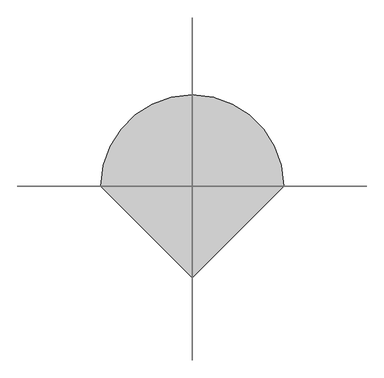
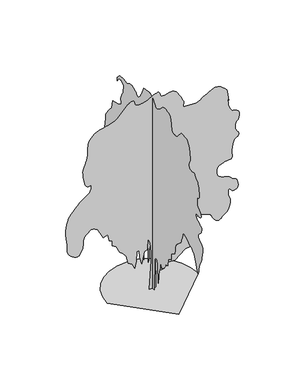
"""IFC4 building model written with IfcOpenShell, lengths in millimetres: geographic element geometry."""

from ifc_helpers import new_model, si_unit, origin, place, context, project, spatial, triangles, source, transform, mapped, element, save


def geographic_element_389643ee(model_context):
    return source(origin(), model_context, "Body", "Tessellation", [
        triangles([(-0.0021492, -84.2526153, 0.0017055), (-0.0021492, 79.7118042, 0.0017055), (-0.0021492, 55.1171299, 770.634066), (-0.0021492, 30.52271, 1205.1391577), (-0.0021492, 128.9011618, 1090.3648407), (-0.0021492, 161.6941456, 983.7870438), (-0.0021492, 161.6941456, 778.8331295), (-0.0021492, 202.6851937, 614.8669024), (-0.0021492, 227.2798771, 1410.0956154), (-0.0021492, 292.8648273, 1254.3285244), (-0.0021492, 391.2435245, 934.5977497), (-0.0021492, 407.6416878, 557.4810519), (-0.0021492, 448.6319547, 754.2384825), (-0.0021492, 424.0372713, 1123.1586239), (-0.0021492, 399.4426243, 1229.7338047), (-0.0021492, 563.4062716, 1024.7798904), (-0.0021492, 645.3893852, 910.00303), (-0.0021492, 571.6053351, 1164.1488544), (-0.0021492, 566.3701532, 1202.7023878), (-0.0021492, 561.3514189, 1240.6803749), (-0.0021492, 556.7629998, 1277.5125744), (-0.0021492, 552.8187638, 1312.6233673), (-0.0021492, 549.7351948, 1345.442585), (-0.0021492, 547.7261604, 1375.3895943), (-0.0021492, 547.0106518, 1401.8965519), (-0.0021492, 548.2048739, 1425.0576382), (-0.0021492, 551.550709, 1445.6369053), (-0.0021492, 556.6891308, 1464.0644142), (-0.0021492, 563.2636931, 1480.7706619), (-0.0021492, 570.9127539, 1496.1884708), (-0.0021492, 579.2773232, 1510.7457218), (-0.0021492, 588.000955, 1524.870005), (-0.0021492, 615.9185097, 1493.2475166), (-0.0021492, 642.6877333, 1461.6276443), (-0.0021492, 667.1627655, 1430.0051559), (-0.0021492, 688.1976734, 1398.3826675), (-0.0021492, 704.6416552, 1366.7627953), (-0.0021492, 715.3488504, 1335.1403069), (-0.0021492, 719.173399, 1303.5178185), (-0.0021492, 720.8463346, 1273.0922047), (-0.0021492, 725.5315138, 1244.8155876), (-0.0021492, 732.7248247, 1218.3340645), (-0.0021492, 741.9270973, 1193.2836313), (-0.0021492, 752.6342926, 1169.31024), (-0.0021492, 764.3472404, 1146.0549007), (-0.0021492, 776.5592857, 1123.1586239), (-0.0021492, 799.2416948, 1123.4208899), (-0.0021492, 820.9921841, 1125.2618385), (-0.0021492, 840.8787609, 1130.2576818), (-0.0021492, 857.9695055, 1139.9845591), (-0.0021492, 871.3298819, 1156.0210802), (-0.0021492, 880.0305862, 1179.9486168), (-0.0021492, 883.1370827, 1213.3382212), (-0.0021492, 884.8100183, 1255.5711811), (-0.0021492, 889.4951975, 1304.2589069), (-0.0021492, 896.6884357, 1358.3243568), (-0.0021492, 905.890781, 1416.6930325), (-0.0021492, 916.5979763, 1478.2854939), (-0.0021492, 928.3109241, 1542.0320389), (-0.0021492, 940.5255129, 1606.8530823), (-0.0021492, 1006.1104631, 1762.6177025), (-0.0021492, 1030.7051102, 2041.3581013), (-0.0021492, 1137.2829071, 1615.0495296), (-0.0021492, 1096.2900604, 2033.1590378), (-0.0021492, 1120.8847801, 2385.6835957), (-0.0021492, 1260.2563602, 2139.7368347), (-0.0021492, 1270.7241806, 2153.8611179), (-0.0021492, 1280.7616493, 2168.4183689), (-0.0021492, 1289.9410309, 2183.833707), (-0.0021492, 1297.8295029, 2200.5424255), (-0.0021492, 1303.9940975, 2218.9699345), (-0.0021492, 1308.0095501, 2239.5492016), (-0.0021492, 1309.4456543, 2262.7102879), (-0.0021492, 1307.6275967, 2290.0778034), (-0.0021492, 1302.9424175, 2322.033847), (-0.0021492, 1296.538448, 2357.1447853), (-0.0021492, 1289.5590775, 2393.9769848), (-0.0021492, 1283.1526371, 2431.0968121), (-0.0021492, 1278.467458, 2467.0683083), (-0.0021492, 1276.6518711, 2500.45784), (-0.0021492, 1277.8461296, 2532.7959824), (-0.0021492, 1281.1944717, 2566.4375336), (-0.0021492, 1286.3329662, 2601.1435547), (-0.0021492, 1292.9049488, 2636.6899315), (-0.0021492, 1300.5540459, 2672.8981865), (-0.0021492, 1308.9185062, 2709.5395546), (-0.0021492, 1317.642247, 2746.4096878), (-0.0021492, 1349.0965771, 2763.5973015), (-0.0021492, 1379.5477707, 2778.4931946), (-0.0021492, 1407.98993, 2788.7800667), (-0.0021492, 1433.4222439, 2792.1923584), (-0.0021492, 1454.8366344, 2786.4374771), (-0.0021492, 1471.2347614, 2769.1992851), (-0.0021492, 1481.6057854, 2738.2107697), (-0.0021492, 1484.4041611, 2701.900486), (-0.0021492, 1481.8935585, 2669.6135033), (-0.0021492, 1478.8100258, 2640.3309883), (-0.0021492, 1479.8871403, 2613.0602692), (-0.0021492, 1489.8532471, 2586.7825127), (-0.0021492, 1513.444685, 2560.5300453), (-0.0021492, 1555.3924152, 2533.2517685), (-0.0021492, 1606.8988644, 2505.0718025), (-0.0021492, 1655.253035, 2478.4681938), (-0.0021492, 1699.3015091, 2456.025087), (-0.0021492, 1737.903368, 2440.3219757), (-0.0021492, 1769.9076645, 2433.9411152), (-0.0021492, 1794.1662128, 2439.4615631), (-0.0021492, 1809.5357689, 2459.4676094), (-0.0021492, 1957.1037964, 2820.1761154), (-0.0021492, 2096.4727604, 2918.5648773), (-0.0021492, 2133.9033245, 2947.2108032), (-0.0021492, 2168.0337994, 2976.9770096), (-0.0021492, 2197.5760368, 3008.067263), (-0.0021492, 2221.2386913, 3040.5580124), (-0.0021492, 2237.731144, 3074.6530243), (-0.0021492, 2245.7620491, 3110.453746), (-0.0021492, 2244.0407879, 3148.1136566), (-0.0021492, 2235.2459759, 3194.9398682), (-0.0021492, 2223.869054, 3254.6760475), (-0.0021492, 2211.3438011, 3322.1530334), (-0.0021492, 2199.1063213, 3392.2013741), (-0.0021492, 2188.5901028, 3459.67836), (-0.0021492, 2181.2287788, 3519.4145393), (-0.0021492, 2178.4558376, 3566.2154617), (-0.0021492, 2170.3281361, 3608.6875786), (-0.0021492, 2147.5744377, 3658.060437), (-0.0021492, 2112.6315125, 3713.1367264), (-0.0021492, 2067.9338047, 3772.8217461), (-0.0021492, 2015.9257874, 3835.9446373), (-0.0021492, 1959.038998, 3901.3845383), (-0.0021492, 1899.7152935, 3967.9447197), (-0.0021492, 1842.3294067, 4197.4932083), (-0.0021492, 1629.1739582, 4246.6875893), (-0.0021492, 1457.0136818, 4328.652935), (-0.0021492, 1458.3505188, 4335.1970123), (-0.0021492, 1461.6963902, 4352.7409996), (-0.0021492, 1466.0480141, 4378.3565872), (-0.0021492, 1470.3970219, 4408.9631493), (-0.0021492, 1473.7428932, 4441.6065056), (-0.0021492, 1475.082201, 4473.2060303), (-0.0021492, 1473.409338, 4500.8334137), (-0.0021492, 1467.7438408, 4526.8565346), (-0.0021492, 1458.2079403, 4555.4515915), (-0.0021492, 1445.4433125, 4586.2107605), (-0.0021492, 1430.0993362, 4618.7015099), (-0.0021492, 1412.8176876, 4652.4654373), (-0.0021492, 1394.2474548, 4687.1205894), (-0.0021492, 1375.0306046, 4722.1829842), (-0.0021492, 1342.2368214, 4918.9352188), (-0.0021492, 1448.8146183, 5009.1250626), (-0.0021492, 1579.9871349, 4984.5277267), (-0.0021492, 1653.7685326, 4877.9400467), (-0.0021492, 1653.7685326, 4976.3288086), (-0.0021492, 1538.9942883, 5082.8914902), (-0.0021492, 1350.4358849, 5107.488826), (-0.0021492, 1202.8678574, 5074.692572), (-0.0021492, 1055.2998299, 5156.6829163), (-0.0021492, 948.7220329, 5164.8818344), (-0.0021492, 940.8819592, 5161.1390396), (-0.0021492, 920.1372952, 5151.1065125), (-0.0021492, 890.6409851, 5136.4911255), (-0.0021492, 856.5588358, 5118.9980072), (-0.0021492, 822.0437914, 5100.3334488), (-0.0021492, 791.2590425, 5082.280481), (-0.0021492, 768.3627657, 5066.4930725), (-0.0021492, 752.5400396, 5050.8591431), (-0.0021492, 739.1541561, 5033.7985565), (-0.0021492, 726.6289759, 5017.8844116), (-0.0021492, 713.3882143, 5005.6874817), (-0.0021492, 697.8532614, 4999.805864), (-0.0021492, 678.4453617, 5002.8359116), (-0.0021492, 653.5859053, 5017.2989822), (-0.0021492, 627.1527803, 5039.5790176), (-0.0021492, 603.7294281, 5064.0234558), (-0.0021492, 582.814135, 5090.2247635), (-0.0021492, 563.9078762, 5117.8777267), (-0.0021492, 546.5090472, 5146.6253906), (-0.0021492, 530.1108839, 5176.0602219), (-0.0021492, 514.2169049, 5205.8775879), (-0.0021492, 415.8382078, 5410.8290314), (-0.0021492, 169.8924643, 5451.8242035), (-0.0021492, 163.845268, 5451.6713058), (-0.0021492, 147.6161895, 5450.6783432), (-0.0021492, 124.0728773, 5447.9540909), (-0.0021492, 96.0842423, 5442.6323227), (-0.0021492, 66.5181736, 5433.8985535), (-0.0021492, 38.2425694, 5420.8359787), (-0.0021492, 14.1260625, 5402.6295319), (-0.0021492, -3.3458589, 5384.2457703), (-0.0021492, -15.2248406, 5370.0373352), (-0.0021492, -23.9488607, 5358.0950409), (-0.0021492, -31.9557643, 5346.6114395), (-0.0021492, -41.6836339, 5333.6761826), (-0.0021492, -55.5706269, 5317.4306625), (-0.0021492, -76.0543103, 5296.0418518), (-0.0021492, -97.13535, 5271.2916183), (-0.0021492, -113.1971331, 5247.5349289), (-0.0021492, -127.2514169, 5226.7827072), (-0.0021492, -142.3091915, 5211.0464584), (-0.0021492, -161.3827366, 5202.3638489), (-0.0021492, -187.483033, 5202.6946426), (-0.0021492, -223.6221062, 5214.076506), (-0.0021492, -264.351397, 5233.7851868), (-0.0021492, -302.4974698, 5257.3889786), (-0.0021492, -338.4919115, 5284.2012955), (-0.0021492, -372.7676173, 5313.5855484), (-0.0021492, -405.7523409, 5344.9307281), (-0.0021492, -437.8763975, 5377.549086), (-0.0021492, -469.5675954, 5410.8290314), (-0.0021492, -492.466452, 5419.4860611), (-0.0021492, -515.7217913, 5427.3286057), (-0.0021492, -539.6951463, 5433.618338), (-0.0021492, -564.7456158, 5437.5396103), (-0.0021492, -591.2271026, 5438.3035172), (-0.0021492, -619.503756, 5435.1205719), (-0.0021492, -649.9294424, 5427.2268677), (-0.0021492, -681.4067362, 5417.9076691), (-0.0021492, -712.0259428, 5409.8610672), (-0.0021492, -740.9213448, 5401.4075134), (-0.0021492, -767.2373257, 5390.7895569), (-0.0021492, -790.1107115, 5376.3009064), (-0.0021492, -808.6833424, 5356.2364334), (-0.0021492, -822.0921896, 5328.8381058), (-0.0021492, -831.6764156, 5297.4679276), (-0.0021492, -839.5393805, 5266.5047012), (-0.0021492, -845.9687845, 5235.9240097), (-0.0021492, -851.2523283, 5205.5973724), (-0.0021492, -855.672698, 5175.5253708), (-0.0021492, -859.522681, 5145.5556885), (-0.0021492, -863.0824202, 5115.6877441), (-0.0021492, -868.5086151, 5085.9976959), (-0.0021492, -874.8667299, 5057.4029297), (-0.0021492, -883.0886845, 5030.9469864), (-0.0021492, -894.1065439, 5007.6989868), (-0.0021492, -908.8546263, 4988.7803741), (-0.0021492, -928.2625259, 4975.2085281), (-0.0021492, -953.2646336, 4968.1298904), (-0.0021492, -983.5706326, 4964.7940475), (-0.0021492, -1017.0340696, 4962.6296448), (-0.0021492, -1051.7859455, 4962.7313828), (-0.0021492, -1085.9648186, 4966.2962814), (-0.0021492, -1117.7069944, 4974.4446213), (-0.0021492, -1145.1458719, 4988.347261), (-0.0021492, -1166.4176113, 5009.1250626), (-0.0021492, -1187.9516893, 5037.6180908), (-0.0021492, -1215.2250246, 5071.5857849), (-0.0021492, -1244.9327316, 5107.4120865), (-0.0021492, -1273.7822788, 5141.5326782), (-0.0021492, -1298.4736496, 5170.3309204), (-0.0021492, -1315.7070454, 5190.2430771), (-0.0021492, -1322.1822315, 5197.6786697), (-0.0021492, -1576.328056, 5181.2802521), (-0.0021492, -1674.7067894, 5058.2941544), (-0.0021492, -1679.9878624, 5049.3057495), (-0.0021492, -1685.3426228, 5039.1203247), (-0.0021492, -1690.840107, 5026.4652832), (-0.0021492, -1696.5540024, 5010.1691849), (-0.0021492, -1702.550584, 4988.9838501), (-0.0021492, -1708.9086262, 4961.7134216), (-0.0021492, -1715.69702, 4927.1347183), (-0.0021492, -1722.2461842, 4888.9655365), (-0.0021492, -1727.9344997, 4851.6622902), (-0.0021492, -1732.907452, 4815.0465019), (-0.0021492, -1737.304858, 4779.0417229), (-0.0021492, -1741.2720577, 4743.4444771), (-0.0021492, -1744.9539551, 4708.1530266), (-0.0021492, -1748.4908031, 4672.9886032), (-0.0021492, -1731.0893944, 4648.3403984), (-0.0021492, -1714.6937382, 4623.4122688), (-0.0021492, -1700.3046455, 4597.9237083), (-0.0021492, -1688.927869, 4571.5442139), (-0.0021492, -1681.5665451, 4544.0441483), (-0.0021492, -1679.2239555, 4515.0927177), (-0.0021492, -1682.9058529, 4484.4352867), (-0.0021492, -1691.9172215, 4457.546521), (-0.0021492, -1704.798848, 4438.9584114), (-0.0021492, -1721.4109154, 4426.9908279), (-0.0021492, -1741.6082291, 4419.8866104), (-0.0021492, -1765.2454491, 4415.940049), (-0.0021492, -1792.1827583, 4413.4445618), (-0.0021492, -1822.2748169, 4410.6435699), (-0.0021492, -1851.5776794, 4410.5162521), (-0.0021492, -1877.0099934, 4414.7177399), (-0.0021492, -1899.7152935, 4419.453788), (-0.0021492, -1920.8445271, 4421.0580505), (-0.0021492, -1941.543409, 4415.7871513), (-0.0021492, -1962.9576542, 4399.8982956), (-0.0021492, -1986.2385006, 4369.6483978), (-0.0021492, -2009.8529022, 4339.016256), (-0.0021492, -2031.6033188, 4320.2755394), (-0.0021492, -2051.6324741, 4307.2641243), (-0.0021492, -2070.0854176, 4293.8451759), (-0.0021492, -2087.1024021, 4273.8057014), (-0.0021492, -2102.8308025, 4241.0094475), (-0.0021492, -2117.4110172, 4189.2939995), (-0.0021492, -2130.4606567, 4132.1297562), (-0.0021492, -2141.5040234, 4085.4561516), (-0.0021492, -2150.5382103, 4046.6759605), (-0.0021492, -2157.565979, 4013.1922485), (-0.0021492, -2162.5848587, 3982.4330795), (-0.0021492, -2165.5945587, 3951.8009377), (-0.0021492, -2166.6003113, 3918.7500481), (-0.0021492, -2163.9699486, 3888.1437767), (-0.0021492, -2156.6086246, 3865.7361328), (-0.0021492, -2145.3030647, 3850.1274925), (-0.0021492, -2130.8426102, 3839.9676476), (-0.0021492, -2114.0167477, 3833.9075523), (-0.0021492, -2095.6120571, 3830.5464203), (-0.0021492, -2076.4181705, 3828.5602043), (-0.0021492, -2076.4181705, 3615.4098427), (-0.0021492, -2076.5861835, 3611.7687859), (-0.0021492, -2077.7574783, 3607.2362137), (-0.0021492, -2080.9351913, 3600.9979317), (-0.0021492, -2087.1278366, 3592.1877136), (-0.0021492, -2097.3334637, 3579.9143349), (-0.0021492, -2112.5576797, 3563.3636009), (-0.0021492, -2133.8065281, 3541.6437057), (-0.0021492, -2158.6890209, 3518.8288193), (-0.0021492, -2183.2835953, 3498.7640556), (-0.0021492, -2206.2996323, 3480.0997879), (-0.0021492, -2226.4484024, 3461.6134163), (-0.0021492, -2242.4391415, 3441.9561859), (-0.0021492, -2252.9807945, 3419.8796265), (-0.0021492, -2256.7799812, 3394.0602722), (-0.0021492, -2250.3276134, 3369.7687317), (-0.0021492, -2232.2566235, 3352.3773514), (-0.0021492, -2204.5070091, 3340.7152725), (-0.0021492, -2169.0142628, 3333.6366348), (-0.0021492, -2127.7106792, 3329.995578), (-0.0021492, -2082.5368378, 3328.6715309), (-0.0021492, -2035.4277946, 3328.4677643), (-0.0021492, -2021.5658501, 3329.995578), (-0.0021492, -2008.8496204, 3330.1737648), (-0.0021492, -1998.4275822, 3327.6274086), (-0.0021492, -1991.4508278, 3320.9815933), (-0.0021492, -1989.05984, 3308.886692), (-0.0021492, -1992.405566, 3289.9677887), (-0.0021492, -2002.6366276, 3262.9005455), (-0.0021492, -2020.3945553, 3234.9676575), (-0.0021492, -2044.3195484, 3213.2224731), (-0.0021492, -2072.5477673, 3195.7802238), (-0.0021492, -2103.212756, 3180.7570129), (-0.0021492, -2134.4508202, 3166.3195221), (-0.0021492, -2164.4003002, 3150.6088531), (-0.0021492, -2191.195031, 3131.7155296), (-0.0021492, -2214.6667088, 3115.4700096), (-0.0021492, -2235.4113728, 3106.0996513), (-0.0021492, -2252.7159851, 3099.4538361), (-0.0021492, -2265.8625664, 3091.381945), (-0.0021492, -2274.1329918, 3077.7083611), (-0.0021492, -2276.8091366, 3054.2824654), (-0.0021492, -2273.1754921, 3016.9539299), (-0.0021492, -2263.7593517, 2975.5765137), (-0.0021492, -2250.0398403, 2941.939904), (-0.0021492, -2232.735228, 2914.7709229), (-0.0021492, -2212.5634941, 2892.7455231), (-0.0021492, -2190.2375313, 2874.6158157), (-0.0021492, -2166.4806965, 2859.0580444), (-0.0021492, -2142.0055916, 2844.7731606), (-0.0021492, -2133.3761765, 2827.1783043), (-0.0021492, -2125.6812973, 2809.2779434), (-0.0021492, -2119.8477871, 2790.7918625), (-0.0021492, -2116.8125072, 2771.4654259), (-0.0021492, -2117.5051975, 2750.9675491), (-0.0021492, -2122.8599579, 2729.044178), (-0.0021492, -2133.8065281, 2705.4145157), (-0.0021492, -2153.6931049, 2682.9815826), (-0.0021492, -2182.4714355, 2663.4005104), (-0.0021492, -2215.980582, 2644.532476), (-0.0021492, -2250.062804, 2624.2386566), (-0.0021492, -2280.5623959, 2600.3543587), (-0.0021492, -2303.3160942, 2570.7407593), (-0.0021492, -2314.1683388, 2533.2517685), (-0.0021492, -2316.6306885, 2491.7827881), (-0.0021492, -2316.7960854, 2450.4562408), (-0.0021492, -2314.3822792, 2407.4085777), (-0.0021492, -2309.1012062, 2360.7782845), (-0.0021492, -2300.6627678, 2308.6964344), (-0.0021492, -2288.7842777, 2249.3015133), (-0.0021492, -2273.1754921, 2180.7272106), (-0.0021492, -2256.9479942, 2122.3126076), (-0.0021492, -2242.7269146, 2087.8459614), (-0.0021492, -2229.5091167, 2067.1470795), (-0.0021492, -2216.2913189, 2050.0334438), (-0.0021492, -2202.0702393, 2026.3248619), (-0.0021492, -2185.8401253, 1985.8335835), (-0.0021492, -2166.6003113, 1918.3847935), (-0.0021492, -2149.5808559, 1842.5203835), (-0.0021492, -2138.8736607, 1783.2936207), (-0.0021492, -2131.7517117, 1740.2713921), (-0.0021492, -2125.4903206, 1713.0234913), (-0.0021492, -2117.362619, 1701.1195667), (-0.0021492, -2104.6463894, 1704.1317375), (-0.0021492, -2084.617234, 1721.6273266), (-0.0021492, -2060.5012642, 1758.0775726), (-0.0021492, -2037.2458523, 1813.4570412), (-0.0021492, -2014.7060944, 1880.5977104), (-0.0021492, -1992.7391212, 1952.324437), (-0.0021492, -1971.2051159, 2021.4716698), (-0.0021492, -1949.9562675, 2080.8664455), (-0.0021492, -1928.8526138, 2123.3387077), (-0.0021492, -1903.2291779, 2154.4824463), (-0.0021492, -1869.4322582, 2184.7680977), (-0.0021492, -1828.8238358, 2214.3331535), (-0.0021492, -1782.7664726, 2243.3252792), (-0.0021492, -1732.6196789, 2271.8870533), (-0.0021492, -1679.7509583, 2300.1636703), (-0.0021492, -1625.51735, 2328.2952381), (-0.0021492, -1580.1042789, 2357.6693172), (-0.0021492, -1536.2697453, 2384.1049129), (-0.0021492, -1495.5901062, 2404.6612164), (-0.0021492, -1459.6414284, 2416.3971279), (-0.0021492, -1430.0025398, 2416.3715481), (-0.0021492, -1408.2521233, 2401.6489002), (-0.0021492, -1395.9662453, 2369.2854687), (-0.0021492, -1387.7442181, 2327.3633183), (-0.0021492, -1377.3731941, 2285.8713741), (-0.0021492, -1365.2069309, 2244.7359489), (-0.0021492, -1351.6071796, 2203.8882969), (-0.0021492, -1336.9303139, 2163.2544399), (-0.0021492, -1321.5379395, 2122.7657776), (-0.0021492, -1305.7865753, 2082.3484772), (-0.0021492, -1125.4248373, 1926.583857), (-0.0021492, -1107.9775738, 1907.1276318), (-0.0021492, -1091.2458916, 1886.8820652), (-0.0021492, -1075.9502409, 1865.0602867), (-0.0021492, -1062.8037323, 1840.8729549), (-0.0021492, -1052.5268887, 1813.5282578), (-0.0021492, -1045.8352186, 1782.2419407), (-0.0021492, -1043.4442308, 1746.2220463), (-0.0021492, -1042.7261787, 1711.1595062), (-0.0021492, -1040.7196878, 1682.5468632), (-0.0021492, -1037.6361551, 1659.3168858), (-0.0021492, -1033.6919191, 1640.3851925), (-0.0021492, -1029.1035364, 1624.6822266), (-0.0021492, -1024.0847294, 1611.1308735), (-0.0021492, -1018.8495838, 1598.6540188), (-0.0021492, -871.2814837, 1500.2752853), (-0.0021492, -854.8859001, 1328.1125381), (-0.0021492, -731.9125196, 1270.7241806), (-0.0021492, -699.1188091, 1057.5711302), (-0.0021492, -567.9463288, 1024.7798904), (-0.0021492, -579.9928319, 1019.3537682), (-0.0021492, -590.5345213, 1012.9956533), (-0.0021492, -598.0638946, 1004.7736261), (-0.0021492, -601.0736309, 993.7558393), (-0.0021492, -598.0638946, 979.0076843), (-0.0021492, -587.5222415, 959.5997847), (-0.0021492, -567.9463288, 934.5977497), (-0.0021492, -544.3090362, 908.8801334), (-0.0021492, -522.3905339, 887.4631994), (-0.0021492, -501.9081359, 869.6340551), (-0.0021492, -482.5715618, 854.6720324), (-0.0021492, -464.0956183, 841.8616224), (-0.0021492, -446.192605, 830.4822298), (-0.0021492, -428.5773285, 819.8234327), (-0.0021492, -416.3169213, 852.4974558), (-0.0021492, -404.2703819, 880.9396151), (-0.0021492, -392.6541942, 900.9203722), (-0.0021492, -381.6821895, 908.2104795), (-0.0021492, -371.5733952, 898.5777826), (-0.0021492, -362.5365921, 867.7931065), (-0.0021492, -354.7933147, 811.6243692), (-0.0021492, -347.289376, 757.5588467), (-0.0021492, -338.9222268, 728.4470335), (-0.0021492, -329.8396053, 713.1030573), (-0.0021492, -320.1840537, 700.3409729), (-0.0021492, -310.0981504, 678.9725098), (-0.0021492, -299.7245467, 637.8141209), (-0.0021492, -289.2083463, 565.677572), (-0.0021492, -280.1002358, 485.3215393), (-0.0021492, -273.5766333, 424.7553234), (-0.0021492, -269.2021002, 380.6814875), (-0.0021492, -266.5488464, 349.8000149), (-0.0021492, -265.1865749, 328.815976), (-0.0021492, -264.6849704, 314.426847), (-0.0021492, -264.613663, 303.3351912), (-0.0021492, -240.0187434, 811.6243692), (-0.0021492, -227.6618124, 844.6574547), (-0.0021492, -214.9461096, 875.6102165), (-0.0021492, -201.5133903, 902.4023312), (-0.0021492, -187.005355, 922.9585619), (-0.0021492, -171.062996, 935.1961143), (-0.0021492, -153.328032, 937.037063), (-0.0021492, -133.4419729, 926.401157), (-0.0021492, -115.707018, 904.291678), (-0.0021492, -103.9950694, 874.0085701), (-0.0021492, -97.3026454, 836.9141773), (-0.0021492, -94.6257194, 794.3680824), (-0.0021492, -94.9603011, 747.7377892), (-0.0021492, -97.3026454, 698.3803368), (-0.0021492, -100.6487348, 647.6606855), (-0.0021492, -84.2526153, 237.7499866), (88.4435659, -0.0002505, 0.0), (-86.3932913, -0.0002505, 0.0), (-44.7656723, -0.0002025, 807.5807934), (-36.4400473, -0.0001919, 1032.3704155), (-69.7422955, -0.0001759, 1307.1158546), (-128.0216733, -0.0001652, 1448.6490761), (-144.6726646, -0.0001865, 1140.6032713), (-227.9278935, -0.0001865, 1115.6266708), (-294.532658, -0.0002025, 799.2544121), (-352.8122947, -0.0001919, 999.0699772), (-361.138676, -0.0001812, 1182.2301636), (-427.7421324, -0.0001812, 1182.2301636), (-444.3923879, -0.0001972, 915.8137218), (-486.0217873, -0.0002079, 732.6509193), (-552.6252437, -0.0002025, 874.1842861), (-660.8581358, -0.0001972, 940.7903223), (-702.4849554, -0.0001812, 1157.2534904), (-785.7412107, -0.0001759, 1257.1625084), (-877.3238474, -0.0001759, 1332.0923824), (-977.2303219, -0.0001599, 1523.5789501), (-1085.4632504, -0.0001599, 1581.8586777), (-1085.4632504, -0.0001492, 1723.3945152), (-1160.3931244, -0.0001492, 1748.3711884), (-1202.019944, -0.0001386, 1939.857756), (-1318.5792538, -0.0001386, 1889.9044098), (-1468.4390018, -0.0001226, 2172.9736141), (-1502.3250149, -0.0001226, 2194.0442757), (-1536.1347244, -0.0001226, 2213.0727654), (-1569.8018555, -0.0001173, 2228.0246143), (-1603.2501045, -0.0001173, 2236.8602669), (-1636.4053482, -0.0001173, 2237.5401672), (-1669.1991314, -0.0001173, 2228.0246143), (-1701.5548599, -0.0001226, 2206.2766685), (-1733.4726791, -0.0001226, 2179.018594), (-1764.2269066, -0.0001226, 2153.3621658), (-1792.651189, -0.0001279, 2127.850787), (-1817.579464, -0.0001279, 2101.0306217), (-1837.8479942, -0.0001279, 2071.4426022), (-1852.2879559, -0.0001332, 2037.6304218), (-1859.7409893, -0.0001332, 1998.1373383), (-1862.0709343, -0.0001386, 1954.9318359), (-1863.0894768, -0.0001386, 1911.4359444), (-1864.5459286, -0.0001439, 1868.3754913), (-1868.1871307, -0.0001439, 1826.4812462), (-1875.759779, -0.0001439, 1786.4790367), (-1889.0133305, -0.0001492, 1749.0993416), (-1909.6943356, -0.0001492, 1715.0681339), (-1930.6655846, -0.0001546, 1683.7079842), (-1945.9586918, -0.0001546, 1654.8226833), (-1959.0644325, -0.0001546, 1629.87159), (-1973.4840466, -0.0001546, 1610.3057785), (-1992.7085999, -0.0001599, 1597.5870781), (-2020.2341, -0.0001599, 1593.1693245), (-2059.5539383, -0.0001599, 1598.5088242), (-2106.0849644, -0.0001546, 1614.4818317), (-2151.4523987, -0.0001546, 1639.6289886), (-2193.4662586, -0.0001546, 1671.9108845), (-2229.9496422, -0.0001492, 1709.2905796), (-2258.7125668, -0.0001492, 1749.7308437), (-2277.5730434, -0.0001439, 1791.1870342), (-2284.3435604, -0.0001439, 1831.6274437), (-2284.0049183, -0.0001439, 1867.2347179), (-2283.6662762, -0.0001386, 1899.34613), (-2284.3435604, -0.0001386, 1933.6447632), (-2287.0630165, -0.0001332, 1975.8062885), (-2292.8405708, -0.0001332, 2031.5116093), (-2302.6947659, -0.0001279, 2106.4440994), (-2317.6466148, -0.0001226, 2206.2766685), (-2328.3767738, -0.0001119, 2318.4664776), (-2327.0169731, -0.0001066, 2424.8304794), (-2316.773267, -0.0001013, 2522.6006744), (-2300.8512737, -9.59e-05, 2609.0116791), (-2282.4516701, -9.06e-05, 2681.301162), (-2264.780365, -9.06e-05, 2736.6829559), (-2251.0431221, -8.53e-05, 2772.4075195), (-2228.7604706, -8.53e-05, 2807.0370918), (-2187.9815643, -7.99e-05, 2856.639006), (-2135.6984184, -7.99e-05, 2914.8473717), (-2078.9007225, -7.46e-05, 2975.2454292), (-2024.5780209, -7.46e-05, 3031.4167099), (-1979.7200031, -6.93e-05, 3076.9444542), (-1951.3211552, -6.93e-05, 3105.4374825), (-1924.2819626, -6.4e-05, 3127.0812195), (-1882.823156, -6.4e-05, 3155.2940323), (-1832.9183533, -6.4e-05, 3188.4469505), (-1780.5385563, -5.86e-05, 3224.9607101), (-1731.6521507, -5.86e-05, 3263.2060501), (-1692.2328999, -5.33e-05, 3301.6042877), (-1668.2519508, -5.33e-05, 3338.5511604), (-1656.1646072, -5.33e-05, 3371.3218346), (-1648.0088551, -4.8e-05, 3398.84748), (-1643.1300831, -4.8e-05, 3421.9931602), (-1640.8716454, -4.8e-05, 3441.6759705), (-1640.5812561, -4.8e-05, 3458.7106865), (-1641.5997986, -4.8e-05, 3473.988533), (-1643.2752777, -4.26e-05, 3488.4260239), (-1673.4947994, -4.26e-05, 3483.4862091), (-1703.0597099, -4.26e-05, 3481.1180397), (-1731.3135086, -4.26e-05, 3483.8172935), (-1757.6014389, -4.26e-05, 3494.1806145), (-1781.2667095, -4.26e-05, 3514.7546494), (-1801.6574707, -4.26e-05, 3548.0601746), (-1818.1141697, -3.73e-05, 3596.6435463), (-1832.6281094, -3.2e-05, 3658.2386238), (-1846.5614159, -3.2e-05, 3726.3519081), (-1858.3075012, -2.66e-05, 3797.4190819), (-1866.2698059, -2.13e-05, 3867.7223488), (-1868.8440674, -1.6e-05, 3933.671521), (-1864.4261684, -1.6e-05, 3991.625251), (-1851.414608, -1.07e-05, 4037.8913223), (-1831.8514126, -1.07e-05, 4080.6180748), (-1810.1034668, -5.3e-06, 4129.8889046), (-1788.0628063, -5.3e-06, 4185.1436714), (-1767.626263, 0.0, 4245.7710754), (-1750.6831112, 5.3e-06, 4311.2106857), (-1739.1280025, 1.07e-05, 4380.8773636), (-1734.8579144, 1.07e-05, 4454.1853889), (-1735.4894165, 1.6e-05, 4523.877356), (-1735.8280586, 2.13e-05, 4584.5303398), (-1733.5466572, 2.13e-05, 4638.3334511), (-1726.3125057, 2.66e-05, 4687.5025429), (-1711.7987114, 3.2e-05, 4734.1761475), (-1687.6699516, 3.2e-05, 4780.5442474), (-1651.601659, 3.73e-05, 4828.8218239), (-1604.6581581, 3.73e-05, 4875.2407928), (-1551.3056007, 4.26e-05, 4914.6575729), (-1494.3144573, 4.26e-05, 4947.2247711), (-1436.4472046, 4.26e-05, 4973.1202835), (-1380.4746037, 4.26e-05, 4992.421431), (-1329.161602, 4.8e-05, 5005.3566879), (-1285.2761993, 4.8e-05, 5012.0022125), (-1238.819006, 4.8e-05, 5019.8197586), (-1181.7285227, 4.8e-05, 5034.7665207), (-1119.6854347, 4.8e-05, 5054.8059952), (-1058.3731888, 4.8e-05, 5077.9260956), (-1003.4673832, 5.33e-05, 5102.03974), (-960.651392, 5.33e-05, 5125.1598404), (-935.6009588, 5.33e-05, 5145.1993149), (-669.1845171, 6.93e-05, 5428.27099), (-646.0030106, 6.93e-05, 5444.1601364), (-622.8954094, 7.46e-05, 5458.928421), (-599.9328938, 7.46e-05, 5471.5328842), (-577.1893693, 7.46e-05, 5480.8520828), (-554.7386684, 7.46e-05, 5485.7918976), (-532.6495734, 7.46e-05, 5485.2826263), (-510.9983877, 7.46e-05, 5478.2295685), (-495.8275477, 7.46e-05, 5462.4933197), (-489.5407585, 6.93e-05, 5439.0418442), (-486.7500132, 6.93e-05, 5411.3888809), (-482.064834, 6.93e-05, 5382.9725922), (-470.0972506, 6.93e-05, 5357.3567139), (-445.4618357, 6.4e-05, 5337.9794083), (-402.7655319, 6.4e-05, 5328.3544144), (-352.1553217, 6.4e-05, 5326.9794983), (-306.7905035, 6.4e-05, 5329.5258545), (-265.7951497, 6.4e-05, 5335.3568939), (-228.2925333, 6.4e-05, 5343.8104477), (-193.4123404, 6.4e-05, 5354.2249283), (-160.2801876, 6.93e-05, 5365.9375854), (-128.0216733, 6.93e-05, 5378.3124115), (-76.4902348, 6.93e-05, 5408.3588333), (-26.1968067, 6.93e-05, 5436.7501236), (21.6206779, 7.46e-05, 5461.7805725), (65.7244948, 7.46e-05, 5481.7688873), (104.8766017, 7.46e-05, 5495.0605179), (137.8389157, 7.46e-05, 5500.0003326), (163.3739486, 7.46e-05, 5494.8820404), (179.7578323, 7.46e-05, 5482.2525787), (188.4231282, 7.46e-05, 5466.2872742), (192.8648993, 7.46e-05, 5447.6994553), (196.5786624, 6.93e-05, 5427.2012878), (203.0594986, 6.93e-05, 5405.5578415), (215.8026888, 6.93e-05, 5383.4562836), (238.3035501, 6.93e-05, 5361.6599396), (275.7078804, 6.4e-05, 5352.0093658), (327.5301169, 6.93e-05, 5359.8263306), (388.8194718, 6.93e-05, 5376.0974304), (454.6234131, 6.93e-05, 5391.7569397), (519.9893723, 6.93e-05, 5397.8426147), (579.9673974, 6.93e-05, 5385.2643127), (629.6048836, 6.4e-05, 5345.0068863), (669.510442, 6.4e-05, 5289.625383), (704.1731518, 5.86e-05, 5237.2989258), (734.4638901, 5.86e-05, 5187.5188248), (761.2611643, 5.33e-05, 5139.7758087), (785.4382496, 5.33e-05, 5093.5606064), (807.8660231, 4.8e-05, 5048.3633652), (829.420376, 4.8e-05, 5003.6759766), (821.0939947, 3.73e-05, 4853.8011131), (1104.163199, 3.73e-05, 4837.1483505), (1130.912075, 3.73e-05, 4839.0834068), (1157.5870457, 3.73e-05, 4841.7826607), (1184.116967, 3.73e-05, 4846.1111755), (1210.4303318, 3.73e-05, 4852.8334396), (1236.4509819, 3.73e-05, 4862.7639381), (1262.10741, 3.73e-05, 4876.6921577), (1287.3259289, 3.73e-05, 4895.433165), (1317.642247, 4.26e-05, 4918.5532654), (1357.5732399, 4.26e-05, 4944.7039948), (1405.5097034, 4.26e-05, 4973.4260788), (1459.8579849, 4.8e-05, 5004.1852478), (1519.010915, 4.8e-05, 5036.4722305), (1581.3671379, 4.8e-05, 5069.7527573), (1645.3250072, 5.33e-05, 5103.5675537), (1684.4540142, 5.33e-05, 5099.8497574), (1722.8521065, 5.33e-05, 5095.2663162), (1759.7963631, 5.33e-05, 5088.9515854), (1794.5558693, 4.8e-05, 5079.9887604), (1826.3998558, 4.8e-05, 5067.5371948), (1854.6051109, 4.8e-05, 5050.7062454), (1878.4410107, 4.8e-05, 5028.6552658), (1900.2143909, 4.8e-05, 5007.1897156), (1922.1329659, 4.26e-05, 4990.5372437), (1943.3232422, 4.26e-05, 4975.3358459), (1962.9118721, 4.26e-05, 4958.2502609), (1980.023037, 4.26e-05, 4935.9190659), (1993.7857143, 3.73e-05, 4905.0069992), (2003.3267017, 3.73e-05, 4862.1273491), (2036.62714, 2.13e-05, 4620.6877258), (2031.3358932, 2.66e-05, 4643.2223969), (2026.4088684, 2.66e-05, 4661.7340576), (2022.2099968, 2.66e-05, 4672.2502762), (2019.1035004, 2.66e-05, 4670.7477516), (2017.450985, 2.66e-05, 4653.2293442), (2017.6216141, 2.13e-05, 4615.6714622), (2019.9769936, 2.13e-05, 4554.0766754), (2029.0544918, 1.6e-05, 4483.8242775), (2046.7257969, 1.07e-05, 4423.1715843), (2069.3470905, 5.3e-06, 4372.5511276), (2093.2796413, 5.3e-06, 4332.4213097), (2114.8825378, 5.3e-06, 4303.2408234), (2130.5141418, 5.3e-06, 4285.3913315), (2136.5336872, 0.0, 4279.3565254), (2147.5539448, 0.0, 4280.1460121), (2175.7593452, 0.0, 4279.6367409), (2213.8671936, 0.0, 4273.4493279), (2254.5977016, 0.0, 4257.2038078), (2290.6659943, 0.0, 4226.5463768), (2314.794754, -5.3e-06, 4177.0973602), (2319.6963444, -1.07e-05, 4104.5023727), (2308.0216209, -1.07e-05, 4035.0650414), (2289.5024025, -1.6e-05, 3991.3959045), (2267.4871765, -1.6e-05, 3963.6159142), (2245.3241398, -1.6e-05, 3941.7939903), (2226.3694828, -2.13e-05, 3916.0255051), (2213.96399, -2.13e-05, 3876.4308289), (2211.466032, -2.66e-05, 3813.104171), (2219.5963497, -2.66e-05, 3747.2826073), (2234.7188278, -3.2e-05, 3702.4167412), (2253.6250866, -3.2e-05, 3671.9886566), (2273.1169201, -3.73e-05, 3649.4284058), (2289.9862392, -3.73e-05, 3628.141333), (2301.0320766, -3.73e-05, 3601.6598099), (2303.0461979, -4.26e-05, 3563.3380211), (2294.2843781, -4.26e-05, 3529.0395332), (2276.7837021, -4.26e-05, 3512.233873), (2253.0190189, -4.26e-05, 3502.8382256), (2225.4707005, -4.26e-05, 3490.8194824), (2196.6083633, -4.8e-05, 3466.1204086), (2168.9148502, -4.8e-05, 3418.7340569), (2144.8600685, -5.33e-05, 3338.5511604), (2129.882785, -5.86e-05, 3243.8796135), (2124.958231, -6.4e-05, 3160.284716), (2125.8545425, -6.93e-05, 3088.6321129), (2128.3549713, -7.46e-05, 3029.812738), (2128.2327404, -7.46e-05, 2984.6666565), (2121.2660145, -7.46e-05, 2954.0856743), (2103.2331036, -7.99e-05, 2938.9351456), (2080.3674934, -7.99e-05, 2933.5625084), (2059.979203, -7.99e-05, 2930.6853584), (2039.4433926, -7.99e-05, 2928.6482735), (2016.1421986, -7.99e-05, 2925.9237305), (1987.4504906, -7.99e-05, 2920.8565979), (1950.7506958, -7.99e-05, 2911.8426132), (1903.4176838, -7.99e-05, 2897.3033844), (1853.5127357, -7.99e-05, 2880.1413506), (1811.035532, -7.99e-05, 2862.9793167), (1776.2784966, -8.53e-05, 2843.7801979), (1749.5296932, -8.53e-05, 2820.5069092), (1731.0818367, -8.53e-05, 2791.0973671), (1721.2276417, -9.06e-05, 2753.5647743), (1720.2574974, -9.06e-05, 2705.8217583), (1723.631274, -9.59e-05, 2658.5115646), (1727.8785439, -9.59e-05, 2621.9722252), (1734.8910519, -9.59e-05, 2593.7338326), (1746.5683914, -0.0001013, 2571.3520592), (1764.7947498, -0.0001013, 2552.2802582), (1791.4723366, -0.0001013, 2534.1046234), (1828.4878098, -0.0001013, 2514.3224007), (1873.0047146, -0.0001013, 2496.0453186), (1919.5611752, -0.0001066, 2482.2824959), (1966.1151649, -0.0001066, 2470.414325), (2010.6320698, -0.0001066, 2457.815094), (2051.0697178, -0.0001066, 2441.8678116), (2085.3913147, -0.0001066, 2419.9517075), (2111.5570141, -0.0001119, 2389.4394711), (2135.660194, -0.0001119, 2361.79174), (2163.6949654, -0.0001119, 2345.6507195), (2193.4790485, -0.0001119, 2334.1695889), (2222.8250771, -0.0001119, 2320.5060333), (2249.5484459, -0.0001173, 2297.8084362), (2271.4670208, -0.0001173, 2259.2397148), (2286.3959061, -0.0001226, 2197.9502872), (2290.3019176, -0.0001279, 2132.9738754), (2281.9781525, -0.0001279, 2085.9081436), (2263.4563179, -0.0001279, 2053.7712971), (2236.7813473, -0.0001332, 2033.5767448), (2203.9875641, -0.0001332, 2022.3373146), (2167.1171402, -0.0001332, 2017.0716476), (2128.2097767, -0.0001332, 2014.7876301), (2106.9227039, -0.0001332, 2046.2216125), (2086.3639297, -0.0001279, 2073.5764835), (2067.2591366, -0.0001279, 2092.7780731), (2050.3415646, -0.0001279, 2099.7421829), (2036.3368961, -0.0001279, 2090.3972591), (2025.9709591, -0.0001279, 2060.6641903), (2019.9769936, -0.0001332, 2006.4637196), (2022.3322277, -0.0001386, 1947.8937481), (2033.7142365, -0.0001386, 1903.8861145), (2049.9035099, -0.0001439, 1868.6174824), (2066.6760326, -0.0001439, 1836.2616085), (2079.809824, -0.0001439, 1800.992831), (2085.075491, -0.0001492, 1756.9878136), (2078.2539597, -0.0001492, 1698.4178421), (2066.069965, -0.0001546, 1638.7046265), (2056.21577, -0.0001599, 1592.8306824), (2045.9236656, -0.0001599, 1557.2944794), (2032.4282684, -0.0001599, 1528.6053875), (2012.9618694, -0.0001652, 1503.2646378), (1984.7566143, -0.0001652, 1477.7762226), (1945.0471195, -0.0001652, 1448.6490761), (1902.3507431, -0.0001705, 1414.6917011), (1865.4803192, -0.0001705, 1379.8609783), (1832.1060482, -0.0001705, 1348.3784523), (1799.895369, -0.0001759, 1324.4688652), (1766.5210979, -0.0001759, 1312.3585579), (1729.6508194, -0.0001759, 1316.2645695), (1686.954443, -0.0001705, 1340.416293), (1647.1227173, -0.0001705, 1378.2109337), (1618.0669327, -0.0001705, 1418.4780979), (1596.2935524, -0.0001652, 1458.6025383), (1578.3090397, -0.0001652, 1495.9567989), (1560.6149162, -0.0001599, 1527.9254871), (1539.7148838, -0.0001599, 1551.8810017), (1512.115551, -0.0001599, 1565.2083858), (1471.7517357, -0.0001599, 1577.5375751), (1418.5696621, -0.0001599, 1596.5685356), (1358.1053295, -0.0001546, 1616.7632332), (1295.8943012, -0.0001546, 1632.58843), (1237.4695244, -0.0001546, 1638.511179), (1188.3667076, -0.0001546, 1628.9956261), (1154.1164726, -0.0001599, 1598.5088242), (1127.3931038, -0.0001599, 1577.4407787), (1098.3373192, -0.0001599, 1588.9958874), (1068.7009741, -0.0001546, 1616.8600296), (1040.2282934, -0.0001546, 1644.7266426), (1014.6711325, -0.0001546, 1656.2792805), (993.7711, -0.0001546, 1635.211235), (979.2801241, -0.0001599, 1565.2083858), (971.8780323, -0.0001652, 1477.5598114), (970.009033, -0.0001705, 1410.4444313), (972.0715525, -0.0001705, 1357.8940052), (976.4639442, -0.0001759, 1313.9347698), (981.5871054, -0.0001759, 1272.5981941), (985.8343025, -0.0001812, 1227.9132763), (987.6065054, -0.0001812, 1173.9063257), (995.9303432, -0.0002025, 832.5574665), (871.0472683, -0.0002025, 807.5807934), (729.5139015, -0.0002132, 691.0215563), (587.9780276, -0.0002185, 591.1150818), (396.4889165, -0.0002185, 599.4414631), (329.8854238, -0.0002185, 557.8146071), (304.9088233, -0.0002238, 457.9055892), (278.3305583, -0.0002238, 452.8104424), (252.8434148, -0.0002238, 449.2405294), (229.5414941, -0.0002238, 448.7312582), (209.5163901, -0.0002238, 452.8104424), (193.8604962, -0.0002238, 463.0032432), (183.6658786, -0.0002238, 480.845141), (180.0249308, -0.0002238, 507.8588264), (179.9037354, -0.0002185, 542.6437672), (179.0540417, -0.0002185, 581.2125249), (176.7483685, -0.0002132, 621.2377344), (172.257963, -0.0002132, 660.3896324), (164.854872, -0.0002132, 696.3382376), (153.8105607, -0.0002079, 726.7512068), (138.3973209, -0.0002079, 749.3012112), (121.7702562, -0.0002079, 768.113217), (107.3279238, -0.0002079, 788.6719912), (94.7059289, -0.0002025, 810.6872898), (83.5404222, -0.0002025, 833.8687963), (73.4672725, -0.0002025, 857.9236507), (64.1223624, -0.0002025, 882.5590656), (55.1413199, -0.0001972, 907.4872679), (63.4669473, -0.0002132, 691.0215563), (88.4435659, -0.0002345, 266.4189852), (-1216.0703945, 0.0, 0.0051165), (-1183.9209034, 278.6437659, 0.0051165), (-1092.3611578, 534.5312536, 0.0051165), (-948.7220329, 760.3342587, 0.0051165), (-760.3342587, 948.7220329, 0.0051165), (-534.5312536, 1092.3611578, 0.0051165), (-278.6437659, 1183.9209034, 0.0051165), (5.32e-05, 1216.0703945, 0.0051165), (278.6437659, 1183.9209034, 0.0051165), (534.5312536, 1092.3611578, 0.0051165), (760.3342587, 948.7220329, 0.0051165), (948.7220329, 760.3342587, 0.0051165), (1092.3611578, 534.5312536, 0.0051165), (1183.9209034, 278.6437659, 0.0051165), (1216.0703945, -0.0001066, 0.0051165), (-0.0001595, -1216.0703945, 0.0051165)], [[477, 476, 478], [476, 475, 478], [475, 474, 478], [474, 473, 478], [63, 62, 64], [473, 472, 478], [472, 471, 478], [471, 470, 478], [12, 11, 13], [13, 11, 14], [8, 7, 9], [7, 6, 9], [17, 16, 18], [470, 469, 478], [6, 5, 9], [11, 10, 14], [14, 10, 15], [469, 468, 478], [152, 151, 153], [153, 151, 154], [16, 15, 18], [468, 467, 478], [151, 150, 154], [154, 150, 155], [5, 4, 9], [18, 15, 19], [66, 65, 67], [67, 65, 68], [68, 65, 69], [69, 65, 70], [70, 65, 71], [71, 65, 72], [72, 65, 73], [73, 65, 74], [74, 65, 75], [75, 65, 76], [76, 65, 77], [467, 466, 478], [466, 465, 478], [465, 464, 478], [464, 463, 478], [19, 15, 20], [456, 455, 457], [77, 65, 78], [150, 149, 155], [155, 149, 156], [20, 15, 21], [64, 62, 65], [2, 1, 3], [1, 493, 3], [493, 492, 3], [492, 491, 3], [491, 490, 3], [490, 489, 3], [3, 489, 4], [489, 488, 4], [488, 487, 4], [487, 486, 4], [486, 485, 4], [485, 484, 4], [463, 462, 478], [478, 462, 479], [78, 65, 79], [21, 15, 22], [479, 462, 480], [462, 461, 480], [480, 461, 481], [392, 391, 393], [455, 454, 457], [441, 440, 442], [22, 15, 23], [79, 65, 80], [393, 391, 394], [391, 390, 394], [394, 390, 395], [390, 389, 395], [395, 389, 396], [389, 388, 396], [396, 388, 397], [388, 387, 397], [397, 387, 398], [387, 386, 398], [398, 386, 399], [386, 385, 399], [399, 385, 400], [385, 384, 400], [132, 131, 133], [46, 45, 47], [439, 438, 440], [384, 383, 400], [400, 383, 401], [383, 382, 401], [382, 381, 401], [381, 380, 401], [380, 379, 401], [401, 379, 402], [379, 378, 402], [402, 378, 403], [378, 377, 403], [377, 376, 403], [403, 376, 404], [376, 375, 404], [375, 374, 404], [374, 373, 404], [373, 372, 404], [372, 371, 404], [371, 370, 404], [370, 369, 404], [369, 368, 404], [368, 367, 404], [404, 367, 405], [367, 366, 405], [405, 366, 406], [406, 366, 407], [366, 365, 407], [407, 365, 408], [408, 365, 409], [365, 364, 409], [409, 364, 410], [364, 363, 410], [410, 363, 411], [23, 15, 24], [15, 10, 24], [10, 9, 24], [24, 9, 25], [25, 9, 26], [26, 9, 27], [27, 9, 28], [28, 9, 29], [180, 179, 181], [457, 454, 458], [454, 453, 458], [453, 452, 458], [481, 461, 482], [458, 452, 459], [452, 451, 459], [251, 250, 252], [29, 9, 30], [80, 65, 81], [461, 460, 482], [250, 249, 252], [252, 249, 253], [249, 248, 253], [248, 247, 253], [247, 246, 253], [253, 246, 254], [254, 246, 255], [255, 246, 256], [256, 246, 257], [257, 246, 258], [258, 246, 259], [259, 246, 260], [246, 245, 260], [260, 245, 261], [245, 244, 261], [261, 244, 262], [262, 244, 263], [263, 244, 264], [244, 243, 264], [264, 243, 265], [265, 243, 266], [266, 243, 267], [267, 243, 268], [268, 243, 269], [269, 243, 270], [270, 243, 271], [271, 243, 272], [243, 242, 272], [272, 242, 273], [242, 241, 273], [363, 362, 411], [451, 450, 459], [411, 362, 412], [484, 483, 4], [30, 9, 31], [273, 241, 274], [241, 240, 274], [450, 449, 459], [459, 449, 460], [449, 448, 460], [448, 447, 460], [447, 446, 460], [446, 445, 460], [445, 444, 460], [444, 443, 460], [443, 442, 460], [362, 361, 412], [31, 9, 32], [81, 65, 82], [107, 106, 108], [106, 105, 108], [108, 105, 109], [105, 104, 109], [104, 103, 109], [103, 102, 109], [102, 101, 109], [101, 100, 109], [100, 99, 109], [99, 98, 109], [98, 97, 109], [97, 96, 109], [96, 95, 109], [95, 94, 109], [94, 93, 109], [93, 92, 109], [47, 45, 48], [45, 44, 48], [48, 44, 49], [49, 44, 50], [50, 44, 51], [51, 44, 52], [52, 44, 53], [44, 43, 53], [53, 43, 54], [43, 42, 54], [42, 41, 54], [41, 40, 54], [54, 40, 55], [40, 39, 55], [39, 38, 55], [55, 38, 56], [38, 37, 56], [56, 37, 57], [37, 36, 57], [57, 36, 58], [36, 35, 58], [58, 35, 59], [35, 34, 59], [34, 33, 59], [59, 33, 60], [33, 32, 60], [60, 32, 61], [61, 32, 62], [240, 239, 274], [181, 179, 182], [182, 179, 183], [183, 179, 184], [184, 179, 185], [185, 179, 186], [186, 179, 187], [187, 179, 188], [188, 179, 189], [189, 179, 190], [190, 179, 191], [191, 179, 192], [192, 179, 193], [193, 179, 194], [194, 179, 195], [195, 179, 196], [196, 179, 197], [197, 179, 198], [179, 178, 198], [178, 177, 198], [198, 177, 199], [177, 176, 199], [176, 175, 199], [175, 174, 199], [460, 442, 482], [482, 442, 483], [483, 442, 4], [442, 440, 4], [440, 438, 4], [4, 438, 9], [361, 360, 412], [274, 239, 275], [199, 174, 200], [174, 173, 200], [437, 436, 438], [436, 435, 438], [435, 434, 438], [434, 433, 438], [438, 433, 9], [433, 432, 9], [432, 431, 9], [431, 430, 9], [430, 429, 9], [429, 428, 9], [428, 427, 9], [427, 426, 9], [9, 426, 32], [32, 426, 62], [62, 426, 65], [426, 425, 65], [425, 424, 65], [424, 423, 65], [423, 422, 65], [422, 421, 65], [421, 420, 65], [420, 419, 65], [419, 418, 65], [418, 417, 65], [417, 416, 65], [416, 415, 65], [415, 414, 65], [65, 414, 82], [82, 414, 83], [83, 414, 84], [84, 414, 85], [85, 414, 86], [86, 414, 87], [414, 413, 87], [239, 238, 275], [360, 359, 412], [149, 148, 156], [156, 148, 157], [157, 148, 158], [158, 148, 159], [159, 148, 160], [160, 148, 161], [161, 148, 162], [162, 148, 163], [163, 148, 164], [164, 148, 165], [165, 148, 166], [166, 148, 167], [167, 148, 168], [168, 148, 169], [169, 148, 170], [148, 147, 170], [147, 146, 170], [146, 145, 170], [145, 144, 170], [144, 143, 170], [143, 142, 170], [142, 141, 170], [141, 140, 170], [140, 139, 170], [139, 138, 170], [138, 137, 170], [137, 136, 170], [136, 135, 170], [135, 134, 170], [170, 134, 171], [412, 359, 413], [413, 359, 87], [109, 92, 110], [325, 324, 326], [324, 323, 326], [326, 323, 327], [323, 322, 327], [322, 321, 327], [327, 321, 328], [321, 320, 328], [328, 320, 329], [320, 319, 329], [329, 319, 330], [319, 318, 330], [318, 317, 330], [330, 317, 331], [331, 317, 332], [317, 316, 332], [332, 316, 333], [316, 315, 333], [315, 314, 333], [333, 314, 334], [314, 313, 334], [313, 312, 334], [334, 312, 335], [312, 311, 335], [87, 359, 88], [238, 237, 275], [359, 358, 88], [358, 357, 88], [357, 356, 88], [356, 355, 88], [355, 354, 88], [354, 353, 88], [353, 352, 88], [352, 351, 88], [351, 350, 88], [350, 349, 88], [349, 348, 88], [348, 347, 88], [347, 346, 88], [346, 345, 88], [345, 344, 88], [344, 343, 88], [343, 342, 88], [342, 341, 88], [341, 340, 88], [340, 339, 88], [339, 338, 88], [338, 337, 88], [337, 336, 88], [336, 335, 88], [335, 311, 88], [311, 310, 88], [310, 309, 88], [88, 309, 89], [89, 309, 90], [173, 172, 200], [92, 91, 110], [110, 91, 111], [111, 91, 112], [112, 91, 113], [113, 91, 114], [114, 91, 115], [115, 91, 116], [116, 91, 117], [117, 91, 118], [118, 91, 119], [119, 91, 120], [120, 91, 121], [121, 91, 122], [122, 91, 123], [123, 91, 124], [124, 91, 125], [125, 91, 126], [126, 91, 127], [127, 91, 128], [128, 91, 129], [129, 91, 130], [130, 91, 131], [131, 91, 133], [91, 90, 133], [90, 309, 133], [133, 309, 134], [134, 309, 171], [171, 309, 172], [172, 309, 200], [200, 309, 201], [201, 309, 202], [202, 309, 203], [203, 309, 204], [204, 309, 205], [205, 309, 206], [206, 309, 207], [207, 309, 208], [208, 309, 209], [309, 308, 209], [286, 285, 287], [285, 284, 287], [287, 284, 288], [284, 283, 288], [283, 282, 288], [288, 282, 289], [282, 281, 289], [275, 237, 276], [289, 281, 290], [237, 236, 276], [305, 304, 306], [304, 303, 306], [306, 303, 307], [303, 302, 307], [307, 302, 308], [302, 301, 308], [301, 300, 308], [300, 299, 308], [299, 298, 308], [298, 297, 308], [297, 296, 308], [296, 295, 308], [295, 294, 308], [294, 293, 308], [293, 292, 308], [292, 291, 308], [291, 290, 308], [290, 281, 308], [281, 280, 308], [280, 279, 308], [279, 278, 308], [278, 277, 308], [277, 276, 308], [276, 236, 308], [222, 221, 223], [221, 220, 223], [220, 219, 223], [223, 219, 224], [219, 218, 224], [224, 218, 225], [218, 217, 225], [225, 217, 226], [226, 217, 227], [217, 216, 227], [227, 216, 228], [216, 215, 228], [215, 214, 228], [214, 213, 228], [213, 212, 228], [212, 211, 228], [211, 210, 228], [210, 209, 228], [228, 209, 229], [229, 209, 230], [230, 209, 231], [231, 209, 232], [232, 209, 233], [233, 209, 234], [236, 235, 308], [308, 235, 209], [209, 235, 234], [712, 711, 713], [713, 711, 714], [714, 711, 715], [502, 501, 503], [507, 506, 508], [503, 501, 504], [495, 494, 496], [494, 889, 496], [889, 888, 496], [888, 887, 496], [496, 887, 497], [518, 517, 519], [860, 859, 861], [500, 499, 501], [501, 499, 504], [715, 711, 716], [506, 505, 508], [508, 505, 509], [509, 505, 510], [866, 865, 867], [514, 513, 515], [846, 845, 847], [516, 515, 517], [803, 802, 804], [867, 865, 868], [510, 505, 511], [868, 865, 869], [869, 865, 870], [870, 865, 871], [871, 865, 872], [872, 865, 873], [873, 865, 874], [874, 865, 875], [875, 865, 876], [876, 865, 877], [865, 864, 877], [877, 864, 878], [847, 845, 848], [845, 844, 848], [848, 844, 849], [504, 499, 505], [505, 499, 511], [511, 499, 512], [512, 499, 513], [513, 499, 515], [878, 864, 879], [515, 499, 517], [863, 862, 864], [864, 862, 879], [879, 862, 880], [862, 861, 880], [861, 859, 880], [880, 859, 881], [881, 859, 882], [882, 859, 883], [883, 859, 884], [884, 859, 885], [885, 859, 886], [886, 859, 887], [859, 858, 887], [858, 857, 887], [857, 856, 887], [887, 856, 497], [497, 856, 498], [856, 855, 498], [855, 854, 498], [854, 853, 498], [498, 853, 499], [853, 852, 499], [852, 851, 499], [760, 759, 761], [761, 759, 762], [759, 758, 762], [762, 758, 763], [763, 758, 764], [758, 757, 764], [764, 757, 765], [765, 757, 766], [757, 756, 766], [766, 756, 767], [767, 756, 768], [756, 755, 768], [768, 755, 769], [851, 850, 499], [499, 850, 517], [802, 801, 804], [804, 801, 805], [801, 800, 805], [800, 799, 805], [799, 798, 805], [798, 797, 805], [797, 796, 805], [805, 796, 806], [796, 795, 806], [795, 794, 806], [794, 793, 806], [793, 792, 806], [792, 791, 806], [806, 791, 807], [791, 790, 807], [790, 789, 807], [789, 788, 807], [788, 787, 807], [787, 786, 807], [786, 785, 807], [807, 785, 808], [785, 784, 808], [784, 783, 808], [783, 782, 808], [808, 782, 809], [782, 781, 809], [517, 850, 519], [697, 696, 698], [809, 781, 810], [781, 780, 810], [748, 747, 749], [749, 747, 750], [747, 746, 750], [746, 745, 750], [745, 744, 750], [750, 744, 751], [744, 743, 751], [743, 742, 751], [751, 742, 752], [769, 755, 770], [755, 754, 770], [640, 639, 641], [639, 638, 641], [638, 637, 641], [641, 637, 642], [637, 636, 642], [636, 635, 642], [635, 634, 642], [642, 634, 643], [634, 633, 643], [633, 632, 643], [632, 631, 643], [643, 631, 644], [644, 631, 645], [645, 631, 646], [681, 680, 682], [742, 741, 752], [673, 672, 674], [672, 671, 674], [674, 671, 675], [671, 670, 675], [675, 670, 676], [670, 669, 676], [676, 669, 677], [677, 669, 678], [678, 669, 679], [669, 668, 679], [679, 668, 680], [680, 668, 682], [668, 667, 682], [660, 659, 661], [661, 659, 662], [662, 659, 663], [659, 658, 663], [663, 658, 664], [658, 657, 664], [664, 657, 665], [657, 656, 665], [656, 655, 665], [665, 655, 666], [655, 654, 666], [666, 654, 667], [654, 653, 667], [667, 653, 682], [653, 652, 682], [652, 651, 682], [651, 650, 682], [650, 649, 682], [649, 648, 682], [648, 647, 682], [770, 754, 771], [829, 828, 830], [830, 828, 831], [828, 827, 831], [831, 827, 832], [827, 826, 832], [832, 826, 833], [833, 826, 834], [826, 825, 834], [834, 825, 835], [825, 824, 835], [835, 824, 836], [824, 823, 836], [823, 822, 836], [822, 821, 836], [821, 820, 836], [820, 819, 836], [819, 818, 836], [818, 817, 836], [836, 817, 837], [817, 816, 837], [816, 815, 837], [815, 814, 837], [814, 813, 837], [813, 812, 837], [812, 811, 837], [837, 811, 838], [811, 810, 838], [810, 780, 838], [838, 780, 839], [839, 780, 840], [840, 780, 841], [841, 780, 842], [780, 779, 842], [842, 779, 843], [779, 778, 843], [843, 778, 844], [844, 778, 849], [849, 778, 850], [850, 778, 519], [778, 777, 519], [777, 776, 519], [776, 775, 519], [775, 774, 519], [774, 773, 519], [773, 772, 519], [519, 772, 520], [520, 772, 521], [521, 772, 522], [772, 771, 522], [771, 754, 522], [754, 753, 522], [753, 752, 522], [752, 741, 522], [741, 740, 522], [740, 739, 522], [739, 738, 522], [522, 738, 523], [738, 737, 523], [523, 737, 524], [545, 544, 546], [544, 543, 546], [546, 543, 547], [543, 542, 547], [547, 542, 548], [542, 541, 548], [548, 541, 549], [549, 541, 550], [541, 540, 550], [550, 540, 551], [540, 539, 551], [539, 538, 551], [538, 537, 551], [551, 537, 552], [552, 537, 553], [553, 537, 554], [554, 537, 555], [537, 536, 555], [555, 536, 556], [536, 535, 556], [556, 535, 557], [535, 534, 557], [557, 534, 558], [534, 533, 558], [558, 533, 559], [533, 532, 559], [559, 532, 560], [532, 531, 560], [560, 531, 561], [531, 530, 561], [561, 530, 562], [530, 529, 562], [562, 529, 563], [529, 528, 563], [563, 528, 564], [528, 527, 564], [527, 526, 564], [564, 526, 565], [565, 526, 566], [526, 525, 566], [566, 525, 567], [567, 525, 568], [568, 525, 569], [569, 525, 570], [570, 525, 571], [571, 525, 572], [525, 524, 572], [524, 737, 572], [572, 737, 573], [573, 737, 574], [574, 737, 575], [575, 737, 576], [576, 737, 577], [577, 737, 578], [578, 737, 579], [579, 737, 580], [580, 737, 581], [581, 737, 582], [582, 737, 583], [583, 737, 584], [584, 737, 585], [585, 737, 586], [586, 737, 587], [587, 737, 588], [588, 737, 589], [737, 736, 589], [736, 735, 589], [735, 734, 589], [734, 733, 589], [733, 732, 589], [732, 731, 589], [731, 730, 589], [730, 729, 589], [729, 728, 589], [728, 727, 589], [727, 726, 589], [726, 725, 589], [725, 724, 589], [724, 723, 589], [723, 722, 589], [722, 721, 589], [721, 720, 589], [720, 719, 589], [719, 718, 589], [718, 717, 589], [717, 716, 589], [716, 711, 589], [711, 710, 589], [710, 709, 589], [709, 708, 589], [708, 707, 589], [707, 706, 589], [706, 705, 589], [705, 704, 589], [704, 703, 589], [703, 702, 589], [702, 701, 589], [701, 700, 589], [698, 696, 699], [646, 631, 647], [647, 631, 682], [631, 630, 682], [630, 629, 682], [629, 628, 682], [628, 627, 682], [627, 626, 682], [699, 696, 700], [696, 695, 700], [626, 625, 682], [593, 592, 594], [594, 592, 595], [592, 591, 595], [591, 590, 595], [595, 590, 596], [590, 589, 596], [596, 589, 597], [597, 589, 598], [598, 589, 599], [599, 589, 600], [600, 589, 601], [601, 589, 602], [602, 589, 603], [603, 589, 604], [604, 589, 605], [605, 589, 606], [606, 589, 607], [607, 589, 608], [608, 589, 609], [695, 694, 700], [625, 624, 682], [694, 693, 700], [624, 623, 682], [623, 622, 682], [622, 621, 682], [621, 620, 682], [620, 619, 682], [619, 618, 682], [618, 617, 682], [617, 616, 682], [616, 615, 682], [615, 614, 682], [614, 613, 682], [613, 612, 682], [612, 611, 682], [611, 610, 682], [610, 609, 682], [609, 589, 682], [682, 589, 683], [683, 589, 684], [684, 589, 685], [685, 589, 686], [693, 692, 700], [692, 691, 700], [691, 690, 700], [690, 689, 700], [686, 589, 687], [689, 688, 700], [700, 688, 589], [589, 688, 687], [905, 904, 890], [904, 903, 890], [890, 903, 891], [903, 902, 891], [891, 902, 892], [892, 902, 893], [902, 901, 893], [901, 900, 893], [893, 900, 894], [894, 900, 895], [895, 900, 896], [896, 900, 897], [897, 900, 898], [898, 900, 899]], closed=False),
    ])


if __name__ == "__main__":
    model = new_model("IFC4")
    model_context = context("Model", 3, world=origin())
    ifc_project = project(units=[si_unit("LENGTHUNIT", "METRE", prefix="MILLI")], contexts=[model_context])
    site = spatial("IfcSite", under=ifc_project)
    building = spatial("IfcBuilding", under=site)
    placement = place(None, origin())
    geographic_element_shape = geographic_element_389643ee(model_context)
    element("IfcGeographicElement", 1, at=placement, inside=building, context=model_context, shape_type="MappedRepresentation", body=[
        mapped(geographic_element_shape, transform((0.0, 0.0, 0.0), x_axis=(1.0, 0.0, 0.0), y_axis=(0.0, 1.0, 0.0), z_axis=(0.0, 0.0, 1.0))),
    ])
    save(model, "model.ifc")
